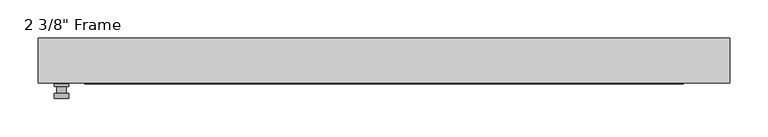
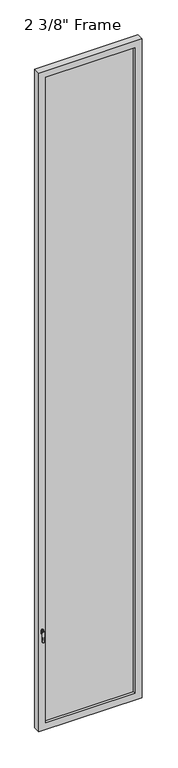
"""IFC4 building model written with IfcOpenShell, lengths in millimetres: plate geometry."""

from ifc_helpers import new_model, si_unit, frame, origin, place, context, project, spatial, polyline, circle_curve, outline, extrude, faceted_brep, source, transform, mapped, element, save
from ifc_brep_helpers import plane_surface, cylinder_surface, advanced_brep


def plate_f2ebfeaa(model_context):
    return source(origin(), model_context, "Body", "SolidModel", [
        advanced_brep(
        [(-410.5275, -29.36875, 927.1), (-410.5275, -29.36875, 901.7), (-429.5775, -29.36875, 901.7), (-429.5775, -29.36875, 927.1), (-413.7025, -42.06875, 914.4), (-426.4025, -42.06875, 914.4), (-426.4025, -32.54375, 914.4), (-413.7025, -32.54375, 914.4), (-410.5275, -42.06875, 914.4), (-413.7065356, -42.06875, 825.2736467), (-426.3984644, -42.06875, 825.2736467), (-429.5775, -42.06875, 914.4), (-410.5275, -48.41875, 914.4), (-429.5775, -48.41875, 914.4), (-426.3984644, -48.41875, 825.2736467), (-413.7065356, -48.41875, 825.2736467), (-410.5275, -32.54375, 927.1), (-429.5775, -32.54375, 927.1), (-429.5775, -32.54375, 901.7), (-410.5275, -32.54375, 901.7)],
        [
            (0, 1),
            (1, 2, circle_curve(frame((-420.0525, -29.36875, 901.7), z_axis=(0.0, 1.0, 0.0), x_axis=(-1.0, 0.0, 0.0)), 9.525)),
            (2, 3),
            (3, 0, circle_curve(frame((-420.0525, -29.36875, 927.1), z_axis=(0.0, 1.0, 0.0), x_axis=(-1.0, 0.0, 0.0)), 9.525)),
            (4, 5, circle_curve(frame((-420.0525, -42.06875, 914.4), z_axis=(0.0, 1.0, 0.0), x_axis=(-1.0, 0.0, 0.0)), 6.35)),
            (5, 6),
            (6, 7, circle_curve(frame((-420.0525, -32.54375, 914.4), z_axis=(0.0, -1.0, 0.0), x_axis=(-1.0, 0.0, 0.0)), 6.35)),
            (7, 4),
            (5, 4, circle_curve(frame((-420.0525, -42.06875, 914.4), z_axis=(0.0, 1.0, 0.0), x_axis=(-1.0, 0.0, 0.0)), 6.35)),
            (7, 6, circle_curve(frame((-420.0525, -32.54375, 914.4), z_axis=(0.0, -1.0, 0.0), x_axis=(-1.0, 0.0, 0.0)), 6.35)),
            (8, 9),
            (9, 10, circle_curve(frame((-420.0525, -42.06875, 825.5), z_axis=(0.0, 1.0, 0.0), x_axis=(-1.0, 0.0, 0.0)), 6.35)),
            (10, 11),
            (11, 8, circle_curve(frame((-420.0525, -42.06875, 914.4), z_axis=(0.0, 1.0, 0.0), x_axis=(-1.0, 0.0, 0.0)), 9.525)),
            (12, 13, circle_curve(frame((-420.0525, -48.41875, 914.4), z_axis=(0.0, -1.0, 0.0), x_axis=(-1.0, 0.0, 0.0)), 9.525)),
            (13, 14),
            (14, 15, circle_curve(frame((-420.0525, -48.41875, 825.5), z_axis=(0.0, -1.0, 0.0), x_axis=(-1.0, 0.0, 0.0)), 6.35)),
            (15, 12),
            (8, 12),
            (15, 9),
            (14, 10),
            (13, 11),
            (16, 17, circle_curve(frame((-420.0525, -32.54375, 927.1), z_axis=(0.0, -1.0, 0.0), x_axis=(-1.0, 0.0, 0.0)), 9.525)),
            (17, 18),
            (18, 19, circle_curve(frame((-420.0525, -32.54375, 901.7), z_axis=(0.0, -1.0, 0.0), x_axis=(-1.0, 0.0, 0.0)), 9.525)),
            (19, 16),
            (0, 16),
            (19, 1),
            (18, 2),
            (17, 3),
        ],
        [
            plane_surface(frame((-426.4025, -29.36875, 914.4), z_axis=(0.0, 1.0, 0.0), x_axis=(0.0, 0.0, 1.0))),
            cylinder_surface(frame((-420.0525, -42.06875, 914.4), z_axis=(0.0, 1.0, 0.0), x_axis=(-1.0, 0.0, 0.0)), 6.35),
            plane_surface(frame((-410.5275, -42.06875, 914.4), z_axis=(0.0, 1.0000000000000002, 0.0), x_axis=(-0.03564619348186888, 0.0, -0.9993644724975235))),
            plane_surface(frame((-410.5275, -48.41875, 914.4), z_axis=(0.0, -1.0000000000000002, 0.0), x_axis=(0.03564619348186888, 0.0, 0.9993644724975235))),
            plane_surface(frame((-410.5275, -42.06875, 914.4), z_axis=(0.9993644724975235, 0.0, -0.03564619348186888), x_axis=(0.0, -1.0, 0.0))),
            cylinder_surface(frame((-420.0525, -48.41875, 825.5), z_axis=(0.0, 1.0, 0.0), x_axis=(-1.0, 0.0, 0.0)), 6.35),
            plane_surface(frame((-426.3984644, -42.06875, 825.2736467), z_axis=(-0.9993644724975228, 0.0, -0.03564619348188612), x_axis=(0.0, -1.0, 0.0))),
            cylinder_surface(frame((-420.0525, -48.41875, 914.4), z_axis=(0.0, 1.0, 0.0), x_axis=(-1.0, 0.0, 0.0)), 9.525),
            plane_surface(frame((-410.5275, -32.54375, 901.7), z_axis=(0.0, -1.0, 0.0), x_axis=(0.0, 0.0, 1.0))),
            plane_surface(frame((-410.5275, -29.36875, 927.1), z_axis=(1.0, 0.0, 0.0), x_axis=(0.0, -1.0, 0.0))),
            cylinder_surface(frame((-420.0525, -32.54375, 901.7), z_axis=(0.0, 1.0, 0.0), x_axis=(-1.0, 0.0, 0.0)), 9.525),
            plane_surface(frame((-429.5775, -29.36875, 901.7), z_axis=(-1.0, 0.0, 0.0), x_axis=(0.0, -1.0, 0.0))),
            cylinder_surface(frame((-420.0525, -32.54375, 927.1), z_axis=(0.0, 1.0, 0.0), x_axis=(-1.0, 0.0, 0.0)), 9.525),
        ],
        [
            (0, [[1, 2, 3, 4]]),
            (1, [[5, 6, 7, 8]]),
            (1, [[9, -8, 10, -6]]),
            (2, [[11, 12, 13, 14], [-5, -9]]),
            (3, [[15, 16, 17, 18]]),
            (4, [[-11, 19, -18, 20]]),
            (5, [[-12, -20, -17, 21]]),
            (6, [[-13, -21, -16, 22]]),
            (7, [[-14, -22, -15, -19]]),
            (8, [[23, 24, 25, 26], [-7, -10]]),
            (9, [[-1, 27, -26, 28]]),
            (10, [[-2, -28, -25, 29]]),
            (11, [[-3, -29, -24, 30]]),
            (12, [[-4, -30, -23, -27]]),
        ],
    ),
        faceted_brep([(-450.215, -29.36875, 0.0), (-450.215, 29.36875, 0.0), (450.215, 29.36875, 0.0), (450.215, -29.36875, 0.0), (-389.89, 29.36875, 5999.1625), (-389.89, 19.84375, 5999.1625), (-389.89, 19.84375, 60.325), (-389.89, 29.36875, 60.325), (402.59, 19.84375, 6011.8625), (-402.59, 19.84375, 6011.8625), (-402.59, 19.84375, 47.625), (402.59, 19.84375, 47.625), (389.89, 19.84375, 5999.1625), (389.89, 19.84375, 60.325), (-402.59, -3.96875, 6011.8625), (-402.59, -3.96875, 47.625), (402.59, -3.96875, 6011.8625), (402.59, -3.96875, 47.625), (-389.89, -3.96875, 5999.1625), (-389.89, -3.96875, 60.325), (389.89, -3.96875, 60.325), (389.89, -3.96875, 5999.1625), (-389.89, -29.36875, 5999.1625), (-389.89, -29.36875, 60.325), (450.215, -29.36875, 6059.4875), (-450.215, -29.36875, 6059.4875), (389.89, -29.36875, 5999.1625), (389.89, -29.36875, 60.325), (-450.215, 29.36875, 6059.4875), (450.215, 29.36875, 6059.4875), (389.89, 29.36875, 60.325), (389.89, 29.36875, 5999.1625)], [[[0, 1, 2, 3]], [[4, 5, 6, 7]], [[8, 9, 10, 11], [5, 12, 13, 6]], [[10, 9, 14, 15]], [[14, 16, 17, 15], [18, 19, 20, 21]], [[18, 22, 23, 19]], [[0, 3, 24, 25], [22, 26, 27, 23]], [[1, 0, 25, 28]], [[2, 1, 28, 29], [4, 7, 30, 31]], [[5, 4, 31, 12]], [[9, 8, 16, 14]], [[18, 21, 26, 22]], [[25, 24, 29, 28]], [[12, 31, 30, 13]], [[17, 16, 8, 11]], [[26, 21, 20, 27]], [[24, 3, 2, 29]], [[23, 27, 20, 19]], [[11, 10, 15, 17]], [[6, 13, 30, 7]]]),
        extrude(outline(polyline([(402.59, -3.96875), (-402.59, -3.96875), (-402.59, 19.84375), (402.59, 19.84375), (402.59, -3.96875)])), frame((0.0, 0.0, 47.625), z_axis=(0.0, 0.0, 1.0), x_axis=(1.0, 0.0, 0.0)), (0.0, 0.0, 1.0), 5964.2375),
    ])


if __name__ == "__main__":
    model = new_model("IFC4")
    model_context = context("Model", 3, world=origin())
    ifc_project = project(units=[si_unit("LENGTHUNIT", "METRE", prefix="MILLI")], contexts=[model_context])
    site = spatial("IfcSite", under=ifc_project)
    building = spatial("IfcBuilding", under=site)
    placement = place(None, origin())
    plate_shape = plate_f2ebfeaa(model_context)
    element("IfcPlate", 1, ObjectType="2 3/8\" Frame", at=placement, inside=building, context=model_context, shape_type="MappedRepresentation", body=[
        mapped(plate_shape, transform((0.0, 0.0, 0.0), x_axis=(1.0, 0.0, 0.0), y_axis=(0.0, 1.0, 0.0), z_axis=(0.0, 0.0, 1.0))),
    ])
    save(model, "model.ifc")
